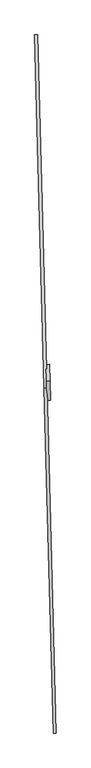
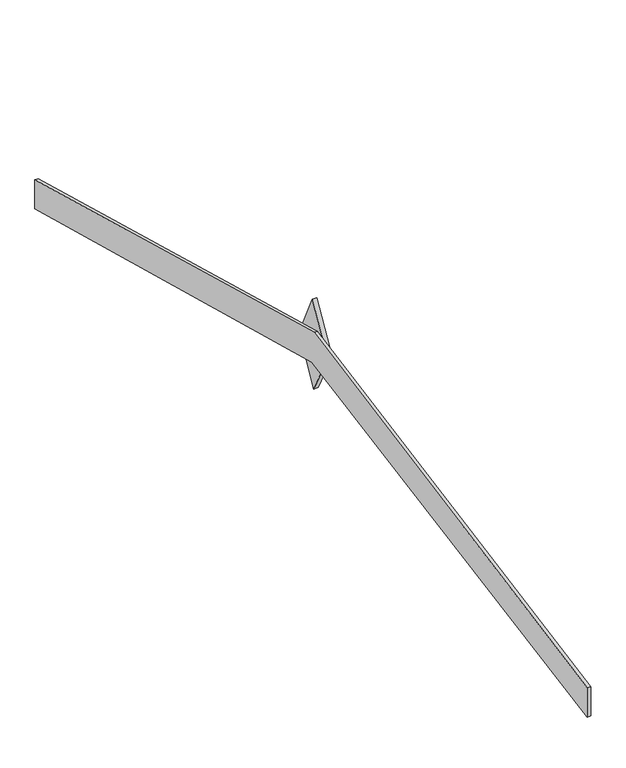
"""IFC4 building model written with IfcOpenShell, lengths in millimetres: plate geometry."""

from ifc_helpers import new_model, si_unit, frame, origin, place, context, project, spatial, polyline, outline, extrude, source, transform, mapped, element, save


def plate_79ba26c4(model_context):
    return source(origin(), model_context, "Body", "SweptSolid", [
        extrude(outline(polyline([(0.0, 0.0), (89.0009067, -121.8479764), (-58.2559839, -118.2423435), (-142.7655678, 1e-07), (0.0, 0.0)])), frame((-46676.2578611, 36417.4599369, 110897.7636844), z_axis=(0.999640040928059, 0.026828875737690654, 0.0), x_axis=(0.011857154138037392, -0.4417958532338509, 0.8970372522705624)), (0.0, 0.0, 1.0), 12.7635127),
        extrude(outline(polyline([(0.0, 0.0), (-19.1047323, -84.7073163), (-1319.5174886, -94.9661332), (-2511.086728, 502.3054767), (-2492.2568839, 585.7939827), (-1308.9858704, -1e-07), (0.0, 0.0)])), frame((-46653.1563259, 35198.0958015, 110567.6754471), z_axis=(0.999640040928059, 0.02682887573769065, 0.0), x_axis=(0.026171493177990064, -0.9751460615563743, -0.2200118441719139)), (0.0, 0.0, 1.0), 9.6209493),
    ])


if __name__ == "__main__":
    model = new_model("IFC4")
    model_context = context("Model", 3, world=origin())
    ifc_project = project(units=[si_unit("LENGTHUNIT", "METRE", prefix="MILLI")], contexts=[model_context])
    site = spatial("IfcSite", under=ifc_project)
    building = spatial("IfcBuilding", under=site)
    placement = place(None, origin())
    plate_shape = plate_79ba26c4(model_context)
    element("IfcPlate", 1, at=placement, inside=building, context=model_context, shape_type="MappedRepresentation", body=[
        mapped(plate_shape, transform((0.0, 0.0, 0.0), x_axis=(1.0, 0.0, 0.0), y_axis=(0.0, 1.0, 0.0), z_axis=(0.0, 0.0, 1.0))),
    ])
    save(model, "model.ifc")
